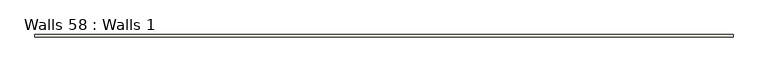
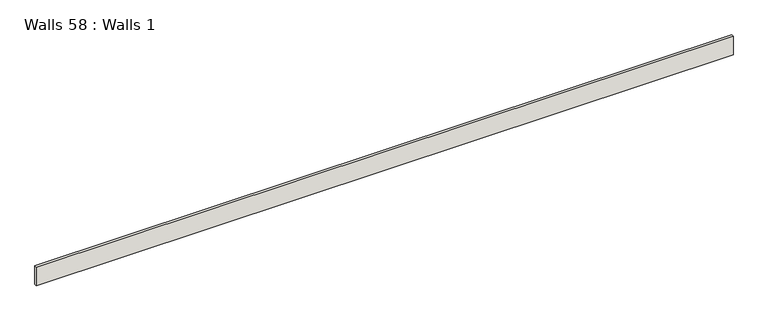
"""IFC4 building model written with IfcOpenShell, lengths in millimetres: wall geometry, Walls 58 : Walls 1."""

import ifcopenshell
import ifcopenshell.guid

model = None  # the IFC model being written
_history = None  # IfcOwnerHistory: only IFC2X3 demands one
_inside = {}  # id of a spatial element -> (the spatial element, [elements in it])
_under = {}  # id of a project, library or spatial element -> (it, [spatial elements below it])
_declared = {}  # id of a project -> (the project, [libraries it declares])
_typed = {}  # id of a type object -> (the type object, [elements of that type])
_made_of = {}  # id of a material, layer set ... -> (it, [elements and type objects made of it])


def new_model(schema):
    """Start an empty IFC model of exactly this schema.

    Asked for "IFC4X3", IfcOpenShell would pick the latest addendum, in which some entities
    have other attributes; the version numbers below select the first issue.
    IFC2X3 requires an IfcOwnerHistory on every rooted entity: one is made here for all.
    """
    global model, _history
    if schema == "IFC4X3":
        model = ifcopenshell.file(schema_version=(4, 3, 0, 0))
    else:
        model = ifcopenshell.file(schema=schema)
    _inside.clear()
    _under.clear()
    _declared.clear()
    _typed.clear()
    _made_of.clear()
    _history = None
    if model.schema == "IFC2X3":
        org = make("IfcOrganization", Name="unknown")
        user = make(
            "IfcPersonAndOrganization",
            ThePerson=make("IfcPerson", FamilyName="unknown"),
            TheOrganization=org,
        )
        app = make(
            "IfcApplication",
            ApplicationDeveloper=org,
            Version="unknown",
            ApplicationFullName="unknown",
            ApplicationIdentifier="unknown",
        )
        _history = make(
            "IfcOwnerHistory",
            OwningUser=user,
            OwningApplication=app,
            ChangeAction="ADDED",
            CreationDate=0,
        )
    return model


def make(cls, **values):
    """One entity of the class cls with the attributes given. An attribute that is None is left unset."""
    return model.create_entity(
        cls, **{name: value for name, value in values.items() if value is not None}
    )


def rooted(cls, **values):
    """An entity with a GlobalId (a new one), such as an element, a storey or a relation."""
    return make(cls, GlobalId=ifcopenshell.guid.new(), OwnerHistory=_history, **values)


def si_unit(unit_type, name, prefix=None):
    """IfcSIUnit, for example si_unit("LENGTHUNIT", "METRE", prefix="MILLI")."""
    return make("IfcSIUnit", UnitType=unit_type, Prefix=prefix, Name=name)


def assignment(units):
    """IfcUnitAssignment: the units of a project."""
    return None if units is None else make("IfcUnitAssignment", Units=units)


def point(xyz):
    """IfcCartesianPoint."""
    return None if xyz is None else make("IfcCartesianPoint", Coordinates=xyz)


def direction(xyz):
    """IfcDirection."""
    return None if xyz is None else make("IfcDirection", DirectionRatios=xyz)


def frame(location, z_axis=None, x_axis=None):
    """IfcAxis2Placement3D, a coordinate frame: its origin and axes. An axis left out is left unset."""
    return make(
        "IfcAxis2Placement3D",
        Location=point(location),
        Axis=direction(z_axis),
        RefDirection=direction(x_axis),
    )


def origin():
    """The frame at (0, 0, 0) with its axes left unset."""
    return frame((0.0, 0.0, 0.0))


def place(relative_to, where):
    """IfcLocalPlacement: puts the frame where relative to a parent placement (None: the world)."""
    return make(
        "IfcLocalPlacement", PlacementRelTo=relative_to, RelativePlacement=where
    )


def context(
    kind, dimensions, precision=None, world=None, true_north=None, identifier=None
):
    """IfcGeometricRepresentationContext, for example the 3D "Model" context."""
    return make(
        "IfcGeometricRepresentationContext",
        ContextIdentifier=identifier,
        ContextType=kind,
        CoordinateSpaceDimension=dimensions,
        Precision=precision,
        WorldCoordinateSystem=world,
        TrueNorth=true_north,
    )


def project(units=None, contexts=None):
    """IfcProject with its units and contexts."""
    return rooted(
        "IfcProject",
        Name="project",
        RepresentationContexts=contexts,
        UnitsInContext=assignment(units),
    )


def spatial(cls, under=None, at=None, **own):
    """A site, building, storey or space (cls), placed at a placement, below another one or the project."""
    s = rooted(cls, ObjectPlacement=at, **own)
    if under is not None:
        _under.setdefault(under.id(), (under, []))[1].append(s)
    return s


def polyline(points):
    """IfcPolyline through the points."""
    return make("IfcPolyline", Points=[point(p) for p in points])


def outline(outer, holes=None, kind="AREA"):
    """IfcArbitraryClosedProfileDef: a profile drawn as a closed curve; with holes, ...WithVoids."""
    if holes is None:
        return make("IfcArbitraryClosedProfileDef", ProfileType=kind, OuterCurve=outer)
    return make(
        "IfcArbitraryProfileDefWithVoids",
        ProfileType=kind,
        OuterCurve=outer,
        InnerCurves=holes,
    )


def extrude(swept, where, along, depth):
    """IfcExtrudedAreaSolid: the profile swept, set in the frame where, extruded along a direction by depth."""
    return make(
        "IfcExtrudedAreaSolid",
        SweptArea=swept,
        Position=where,
        ExtrudedDirection=direction(along),
        Depth=depth,
    )


def shape(context_of_items, identifier, shape_type, items):
    """IfcShapeRepresentation: the items that make up one representation, for example the "Body"."""
    return make(
        "IfcShapeRepresentation",
        ContextOfItems=context_of_items,
        RepresentationIdentifier=identifier,
        RepresentationType=shape_type,
        Items=items,
    )


def source(mapping_origin, context_of_items, identifier, shape_type, items):
    """IfcRepresentationMap: a shape defined once, which mapped items show again and again."""
    return make(
        "IfcRepresentationMap",
        MappingOrigin=mapping_origin,
        MappedRepresentation=shape(context_of_items, identifier, shape_type, items),
    )


def transform(
    local_origin,
    x_axis=None,
    y_axis=None,
    z_axis=None,
    scale=None,
    scale2=None,
    scale3=None,
    uniform=True,
):
    """IfcCartesianTransformationOperator3D, or its non-uniform kind. x_axis, y_axis, z_axis: its Axis1, 2, 3."""
    if uniform:
        return make(
            "IfcCartesianTransformationOperator3D",
            Axis1=direction(x_axis),
            Axis2=direction(y_axis),
            LocalOrigin=point(local_origin),
            Scale=scale,
            Axis3=direction(z_axis),
        )
    return make(
        "IfcCartesianTransformationOperator3DnonUniform",
        Axis1=direction(x_axis),
        Axis2=direction(y_axis),
        LocalOrigin=point(local_origin),
        Scale=scale,
        Axis3=direction(z_axis),
        Scale2=scale2,
        Scale3=scale3,
    )


def mapped(mapping_source, mapping_target):
    """IfcMappedItem: shows the shape of a source again, moved by a transform."""
    return make(
        "IfcMappedItem", MappingSource=mapping_source, MappingTarget=mapping_target
    )


def made_of(thing, what):
    """Note that an element or type object is made of a material, layer set ...; save() writes the relation."""
    if what is not None:
        _made_of.setdefault(what.id(), (what, []))[1].append(thing)
    return thing


def element(
    cls,
    number,
    at=None,
    inside=None,
    cuts=None,
    type_object=None,
    material=None,
    context=None,
    identifier="Body",
    shape_type=None,
    held_by="IfcProductDefinitionShape",
    body=None,
    shapes=None,
    **own,
):
    """One element of the class cls, such as IfcWall. Its Tag is "e" and its number.

    at: its placement. inside: the storey or other place that contains it. cuts: it is an
    opening in that element (IfcRelVoidsElement). A single representation is given by context,
    identifier, shape_type and body (its items); several are given by shapes. held_by: the class
    of the entity that holds the representations. save() writes the other relations.
    """
    e = rooted(cls, Tag="e%d" % number, ObjectPlacement=at, **own)
    if body is not None:
        shapes = [shape(context, identifier, shape_type, body)]
    if shapes is not None:
        e.Representation = make(held_by, Representations=shapes)
    if inside is not None:
        _inside.setdefault(inside.id(), (inside, []))[1].append(e)
    if cuts is not None:
        rooted(
            "IfcRelVoidsElement", RelatingBuildingElement=cuts, RelatedOpeningElement=e
        )
    if type_object is not None:
        _typed.setdefault(type_object.id(), (type_object, []))[1].append(e)
    return made_of(e, material)


def aggregate(whole, parts):
    """IfcRelAggregates: a whole, such as a stair, and the parts it consists of."""
    return rooted("IfcRelAggregates", RelatingObject=whole, RelatedObjects=parts)


def save(model, path):
    """Write the relations noted so far, then the file.

    IfcRelAggregates (storeys below a building ...), IfcRelContainedInSpatialStructure (elements
    in a storey), IfcRelDefinesByType, IfcRelAssociatesMaterial and IfcRelDeclares: one each for
    every whole, place, type object, material and project.
    """
    for whole, parts in _under.values():
        aggregate(whole, parts)
    for where, things in _inside.values():
        rooted(
            "IfcRelContainedInSpatialStructure",
            RelatedElements=things,
            RelatingStructure=where,
        )
    for kind, things in _typed.values():
        rooted("IfcRelDefinesByType", RelatedObjects=things, RelatingType=kind)
    for what, things in _made_of.values():
        rooted("IfcRelAssociatesMaterial", RelatedObjects=things, RelatingMaterial=what)
    for by, libraries in _declared.values():
        rooted("IfcRelDeclares", RelatingContext=by, RelatedDefinitions=libraries)
    model.write(path)


def walls_58_walls_1_b3a06f79(model_context):
    return source(origin(), model_context, "Body", "SweptSolid", [
        extrude(outline(polyline([(-951.7491178, 2487.5621901), (-951.7491178, 2493.9121901), (851.6508822, 2493.9121901), (851.6508822, 2487.5621901), (-951.7491178, 2487.5621901)])), frame((0.0, 0.0, 33.8697772), z_axis=(0.0, 0.0, 1.0), x_axis=(1.0, 0.0, 0.0)), (0.0, 0.0, 1.0), 50.8),
    ])


if __name__ == "__main__":
    model = new_model("IFC4")
    model_context = context("Model", 3, world=origin())
    ifc_project = project(units=[si_unit("LENGTHUNIT", "METRE", prefix="MILLI")], contexts=[model_context])
    site = spatial("IfcSite", under=ifc_project)
    building = spatial("IfcBuilding", under=site)
    placement = place(None, origin())
    walls_58_walls_1_shape = walls_58_walls_1_b3a06f79(model_context)
    element("IfcWall", 1, ObjectType="Walls 58 : Walls 1", at=placement, inside=building, context=model_context, shape_type="MappedRepresentation", body=[
        mapped(walls_58_walls_1_shape, transform((0.0, 0.0, 0.0), x_axis=(1.0, 0.0, 0.0), y_axis=(0.0, 1.0, 0.0), z_axis=(0.0, 0.0, 1.0))),
    ])
    save(model, "model.ifc")
